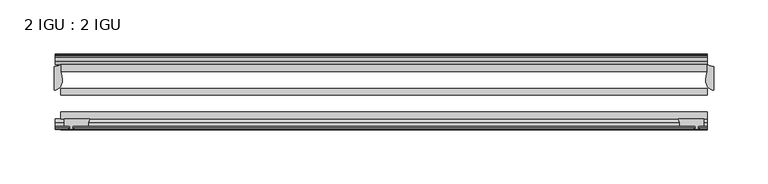
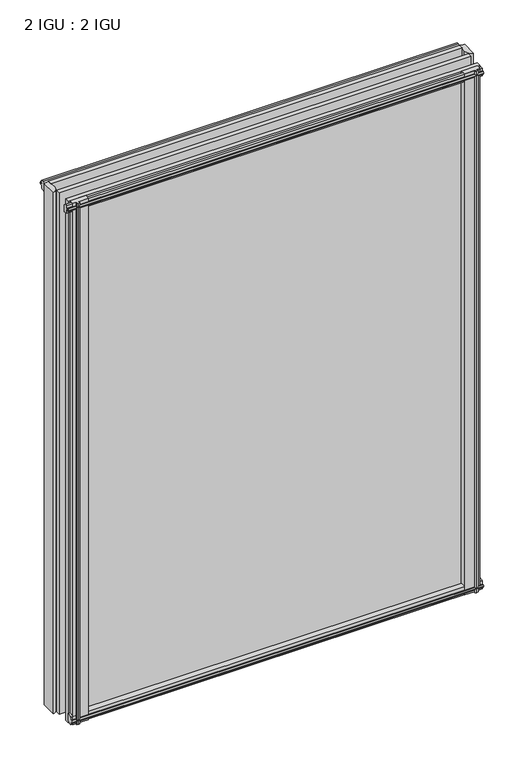
"""IFC4 building model written with IfcOpenShell, lengths in millimetres: plate geometry, 2 IGU : 2 IGU."""

from ifc_helpers import new_model, si_unit, point, frame, frame_2d, origin, place, context, project, spatial, polyline, circle_curve, ellipse_curve, trimmed, segment, composite_curve, outline, extrude, source, transform, mapped, element, save
from ifc_brep_helpers import plane_surface, cylinder_surface, revolved_surface, extruded_surface, advanced_brep


def plate_2_igu_2_igu_ae6738b3(model_context):
    return source(origin(), model_context, "Body", "SolidModel", [
        advanced_brep(
        [(304.8, -21.2713143, -12.303125), (304.8, -43.2929845, -12.303125), (297.2354224, -33.7460937, -12.303125), (298.45, -25.8960937, -12.303125), (298.45, -19.5460937, -12.303125), (304.8, -21.2713143, 787.4), (298.45, -19.5460937, 787.4), (298.45, -25.8960937, 787.4), (297.2354224, -33.7460937, 787.4), (304.8, -43.2929845, 787.4)],
        [
            (0, 1),
            (1, 2, ellipse_curve(frame((304.8, -33.7460937, -12.303125), z_axis=(0.0, 0.0, -1.0), x_axis=(0.0, 1.0, 0.0)), 9.5468907, 7.5645776)),
            (2, 3, circle_curve(frame((323.2105831, -33.7460937, -12.303125), z_axis=(0.0, 0.0, -1.0), x_axis=(1.0, 0.0, 0.0)), 25.9751607)),
            (3, 4),
            (4, 0, circle_curve(frame((304.8, -8.7225169, -12.303125), z_axis=(0.0, 0.0, 1.0), x_axis=(1.0, 0.0, 0.0)), 12.5487974)),
            (5, 6, circle_curve(frame((304.8, -8.7225169, 787.4), z_axis=(0.0, 0.0, -1.0), x_axis=(1.0, 0.0, 0.0)), 12.5487974)),
            (6, 7),
            (7, 8, circle_curve(frame((323.2105831, -33.7460937, 787.4), z_axis=(0.0, 0.0, 1.0), x_axis=(1.0, 0.0, 0.0)), 25.9751607)),
            (8, 9, ellipse_curve(frame((304.8, -33.7460937, 787.4), z_axis=(0.0, 0.0, 1.0), x_axis=(0.0, 1.0, 0.0)), 9.5468907, 7.5645776)),
            (9, 5),
            (0, 5),
            (9, 1),
            (8, 2),
            (7, 3),
            (6, 4),
        ],
        [
            plane_surface(frame((304.8, -13.1960937, -12.303125), z_axis=(0.0, 0.0, -1.0), x_axis=(0.0, 1.0, 0.0))),
            plane_surface(frame((304.8, -13.1960937, 787.4), z_axis=(0.0, 0.0, 1.0), x_axis=(0.0, 1.0, 0.0))),
            plane_surface(frame((304.8, -21.2713143, -12.303125), z_axis=(1.0, 0.0, 0.0), x_axis=(0.0, 0.0, 1.0))),
            extruded_surface(trimmed(ellipse_curve(frame((304.8, -33.7460937, 787.4), z_axis=(0.0, 0.0, -1.0), x_axis=(0.0, 1.0, 0.0)), 9.5468907, 7.5645776), [point((304.8, -43.2929845, 787.4))], [point((297.2354224, -33.7460937, 787.4))], True, "CARTESIAN"), (0.0, 0.0, -799.703125), 799.703125),
            cylinder_surface(frame((323.2105831, -33.7460937, -12.303125), z_axis=(0.0, 0.0, -1.0), x_axis=(1.0, 0.0, 0.0)), 25.9751607),
            plane_surface(frame((298.45, -25.8960937, -12.303125), z_axis=(-1.0, 0.0, 0.0), x_axis=(0.0, 0.0, 1.0))),
            revolved_surface(polyline([(317.3487974, -8.7225169, 787.4), (317.3487974, -8.7225169, -12.303125)]), (304.8, -8.7225169, -12.303125), (0.0, 0.0, 1.0)),
        ],
        [
            (0, [[1, 2, 3, 4, 5]]),
            (1, [[6, 7, 8, 9, 10]]),
            (2, [[-1, 11, -10, 12]]),
            (3, [[-2, -12, -9, 13]]),
            (4, [[-3, -13, -8, 14]]),
            (5, [[-4, -14, -7, 15]]),
            (6, [[-5, -15, -6, -11]]),
        ],
    ),
        advanced_brep(
        [(-304.8, -21.2713143, -12.303125), (-298.45, -19.5460937, -12.303125), (-298.45, -25.8960937, -12.303125), (-297.2354224, -33.7460937, -12.303125), (-304.8, -43.2929845, -12.303125), (-304.8, -21.2713143, 787.4), (-304.8, -43.2929845, 787.4), (-297.2354224, -33.7460937, 787.4), (-298.45, -25.8960937, 787.4), (-298.45, -19.5460937, 787.4)],
        [
            (0, 1, circle_curve(frame((-304.8, -8.7225169, -12.303125), z_axis=(0.0, 0.0, 1.0), x_axis=(1.0, 0.0, 0.0)), 12.5487974)),
            (1, 2),
            (2, 3, circle_curve(frame((-323.2105831, -33.7460937, -12.303125), z_axis=(0.0, 0.0, -1.0), x_axis=(1.0, 0.0, 0.0)), 25.9751607)),
            (3, 4, ellipse_curve(frame((-304.8, -33.7460937, -12.303125), z_axis=(0.0, 0.0, -1.0), x_axis=(0.0, 1.0, 0.0)), 9.5468907, 7.5645776)),
            (4, 0),
            (5, 6),
            (6, 7, ellipse_curve(frame((-304.8, -33.7460937, 787.4), z_axis=(0.0, 0.0, 1.0), x_axis=(0.0, 1.0, 0.0)), 9.5468907, 7.5645776)),
            (7, 8, circle_curve(frame((-323.2105831, -33.7460937, 787.4), z_axis=(0.0, 0.0, 1.0), x_axis=(1.0, 0.0, 0.0)), 25.9751607)),
            (8, 9),
            (9, 5, circle_curve(frame((-304.8, -8.7225169, 787.4), z_axis=(0.0, 0.0, -1.0), x_axis=(1.0, 0.0, 0.0)), 12.5487974)),
            (0, 5),
            (9, 1),
            (8, 2),
            (7, 3),
            (6, 4),
        ],
        [
            plane_surface(frame((-304.8, -13.1960937, -12.303125), z_axis=(0.0, 0.0, -1.0), x_axis=(0.0, 1.0, 0.0))),
            plane_surface(frame((-304.8, -13.1960937, 787.4), z_axis=(0.0, 0.0, 1.0), x_axis=(0.0, 1.0, 0.0))),
            revolved_surface(polyline([(-292.2512026, -8.7225169, 787.4), (-292.2512026, -8.7225169, -12.303125)]), (-304.8, -8.7225169, -12.303125), (0.0, 0.0, 1.0)),
            plane_surface(frame((-298.45, -19.5460937, -12.303125), z_axis=(1.0, 0.0, 0.0), x_axis=(0.0, 0.0, 1.0))),
            cylinder_surface(frame((-323.2105831, -33.7460937, -12.303125), z_axis=(0.0, 0.0, -1.0), x_axis=(1.0, 0.0, 0.0)), 25.9751607),
            extruded_surface(trimmed(ellipse_curve(frame((-304.8, -33.7460937, 787.4), z_axis=(0.0, 0.0, -1.0), x_axis=(0.0, 1.0, 0.0)), 9.5468907, 7.5645776), [point((-297.2354224, -33.7460937, 787.4))], [point((-304.8, -43.2929845, 787.4))], True, "CARTESIAN"), (0.0, 0.0, -799.703125), 799.703125),
            plane_surface(frame((-304.8, -43.2929845, -12.303125), z_axis=(-1.0, 0.0, 0.0), x_axis=(0.0, 0.0, 1.0))),
        ],
        [
            (0, [[1, 2, 3, 4, 5]]),
            (1, [[6, 7, 8, 9, 10]]),
            (2, [[-1, 11, -10, 12]]),
            (3, [[-2, -12, -9, 13]]),
            (4, [[-3, -13, -8, 14]]),
            (5, [[-4, -14, -7, 15]]),
            (6, [[-5, -15, -6, -11]]),
        ],
    ),
        extrude(outline(composite_curve([segment(polyline([(-295.275, -69.9960936), (-272.0662713, -69.9960936)]), True, "CONTINUOUS"), segment(trimmed(circle_curve(frame_2d((-260.7088743, -75.0067563)), 12.4135896), [point((-272.0662713, -69.9960936))], [point((-273.05, -76.3460936))], True, "CARTESIAN"), True, "CONTINUOUS"), segment(polyline([(-273.05, -76.3460936), (-287.655, -76.3460936), (-287.9725, -78.4506955), (-286.7538941, -78.124171), (-286.5501, -78.884741), (-288.925, -79.5210936), (-291.2999, -78.884741), (-291.0961059, -78.124171), (-289.8775, -78.4506955), (-290.195, -76.3460936), (-295.275, -76.3460936), (-295.275, -69.9960936)]), True, "CONTINUOUS")], self_intersect=False)), frame((0.0, 0.0, -12.4587), z_axis=(0.0, 0.0, 1.0), x_axis=(1.0, 0.0, 0.0)), (0.0, 0.0, 1.0), 799.6174),
        extrude(outline(composite_curve([segment(polyline([(272.0662713, -69.9960936), (295.275, -69.9960936), (295.275, -76.3460936), (290.195, -76.3460936), (289.8775, -78.4506955), (291.0961059, -78.124171), (291.2999, -78.884741), (288.925, -79.5210936), (286.5501, -78.884741), (286.7538941, -78.124171), (287.9725, -78.4506955), (287.655, -76.3460936), (273.05, -76.3460936)]), True, "CONTINUOUS"), segment(trimmed(circle_curve(frame_2d((260.7088743, -75.0067563)), 12.4135896), [point((273.05, -76.3460936))], [point((272.0662713, -69.9960936))], True, "CARTESIAN"), True, "CONTINUOUS")], self_intersect=False)), frame((0.0, 0.0, -12.4587), z_axis=(0.0, 0.0, 1.0), x_axis=(1.0, 0.0, 0.0)), (0.0, 0.0, 1.0), 799.6174),
        extrude(outline(polyline([(-19.5460937, 1.5938931), (-13.1960937, -0.123825), (-13.1960937, -5.330825), (-10.8158968, -5.711825), (-11.27583, -4.2962959), (-10.4746158, -4.2962959), (-9.7670937, -6.473825), (-10.4746158, -8.6513541), (-11.27583, -8.6513541), (-10.8158968, -7.235825), (-13.1960937, -7.616825), (-13.1960937, -12.061825), (-16.1424937, -12.061825), (-19.5460937, -9.2274828), (-19.5460937, 1.5938931)])), frame((-298.45, 0.0, 0.0), z_axis=(1.0, 0.0, 0.0), x_axis=(0.0, 1.0, 0.0)), (0.0, 0.0, 1.0), 596.9),
        extrude(outline(polyline([(-69.9960936, 2.1145931), (-69.9960936, -8.7067828), (-73.3996936, -11.541125), (-76.3460936, -11.541125), (-76.3460936, -7.096125), (-78.7262905, -6.715125), (-78.2663573, -8.1306541), (-79.0675715, -8.1306541), (-79.7750936, -5.953125), (-79.0675715, -3.7755959), (-78.2663573, -3.7755959), (-78.7262905, -5.191125), (-76.3460936, -4.810125), (-76.3460936, 0.396875), (-69.9960936, 2.1145931)])), frame((-298.45, 0.0, 0.0), z_axis=(1.0, 0.0, 0.0), x_axis=(0.0, 1.0, 0.0)), (0.0, 0.0, 1.0), 596.9),
        extrude(outline(polyline([(-10.8158968, 782.3327), (-11.27583, 783.7482291), (-10.4746158, 783.7482291), (-9.7670937, 781.5707), (-10.4746158, 779.3931709), (-11.27583, 779.3931709), (-10.8158968, 780.8087), (-13.1960937, 780.4277), (-13.1960937, 775.2207), (-19.5460937, 773.5029819), (-19.5460937, 784.3243578), (-16.1424937, 787.1587), (-13.1960937, 787.1587), (-13.1960937, 782.7137), (-10.8158968, 782.3327)])), frame((-303.7961059, 0.0, 0.0), z_axis=(1.0, 0.0, 0.0), x_axis=(0.0, 1.0, 0.0)), (0.0, 0.0, 1.0), 602.2461059),
        extrude(outline(polyline([(-76.3460936, 786.638), (-73.3996936, 786.638), (-69.9960936, 783.8036578), (-69.9960936, 772.9822819), (-76.3460936, 774.7), (-76.3460936, 779.907), (-78.7262905, 780.288), (-78.2663573, 778.8724709), (-79.0675715, 778.8724709), (-79.7750936, 781.05), (-79.0675715, 783.2275291), (-78.2663573, 783.2275291), (-78.7262905, 781.812), (-76.3460936, 782.193), (-76.3460936, 786.638)])), frame((-303.7961059, 0.0, 0.0), z_axis=(1.0, 0.0, 0.0), x_axis=(0.0, 1.0, 0.0)), (0.0, 0.0, 1.0), 602.2461059),
        extrude(outline(polyline([(298.45, -19.5460937), (298.45, -25.8960937), (-298.45, -25.8960937), (-298.45, -19.5460937), (298.45, -19.5460937)])), frame((0.0, 0.0, -12.303125), z_axis=(0.0, 0.0, 1.0), x_axis=(1.0, 0.0, 0.0)), (0.0, 0.0, 1.0), 799.703125),
        extrude(outline(polyline([(-298.45, -41.5960937), (298.45, -41.5960937), (298.45, -47.9460937), (-298.45, -47.9460937), (-298.45, -41.5960937)])), frame((0.0, 0.0, -12.303125), z_axis=(0.0, 0.0, 1.0), x_axis=(1.0, 0.0, 0.0)), (0.0, 0.0, 1.0), 799.703125),
        extrude(outline(polyline([(298.45, -63.6460936), (298.45, -69.9960936), (-298.45, -69.9960936), (-298.45, -63.6460936), (298.45, -63.6460936)])), frame((0.0, 0.0, -12.303125), z_axis=(0.0, 0.0, 1.0), x_axis=(1.0, 0.0, 0.0)), (0.0, 0.0, 1.0), 799.703125),
    ])


if __name__ == "__main__":
    model = new_model("IFC4")
    model_context = context("Model", 3, world=origin())
    ifc_project = project(units=[si_unit("LENGTHUNIT", "METRE", prefix="MILLI")], contexts=[model_context])
    site = spatial("IfcSite", under=ifc_project)
    building = spatial("IfcBuilding", under=site)
    placement = place(None, origin())
    plate_2_igu_2_igu_shape = plate_2_igu_2_igu_ae6738b3(model_context)
    element("IfcPlate", 1, ObjectType="2 IGU : 2 IGU", at=placement, inside=building, context=model_context, shape_type="MappedRepresentation", body=[
        mapped(plate_2_igu_2_igu_shape, transform((0.0, 0.0, 0.0), x_axis=(1.0, 0.0, 0.0), y_axis=(0.0, 1.0, 0.0), z_axis=(0.0, 0.0, 1.0))),
    ])
    save(model, "model.ifc")
